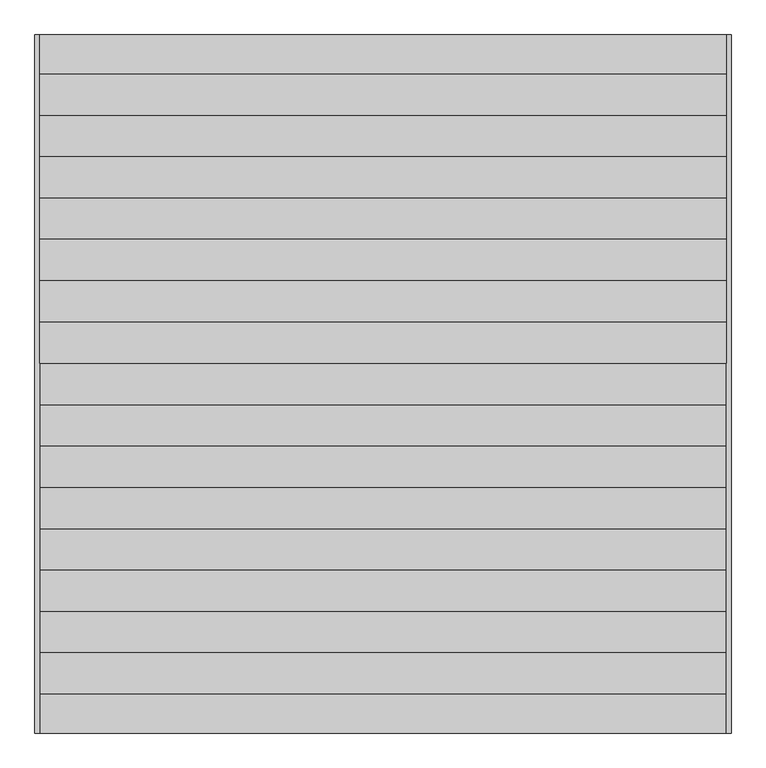
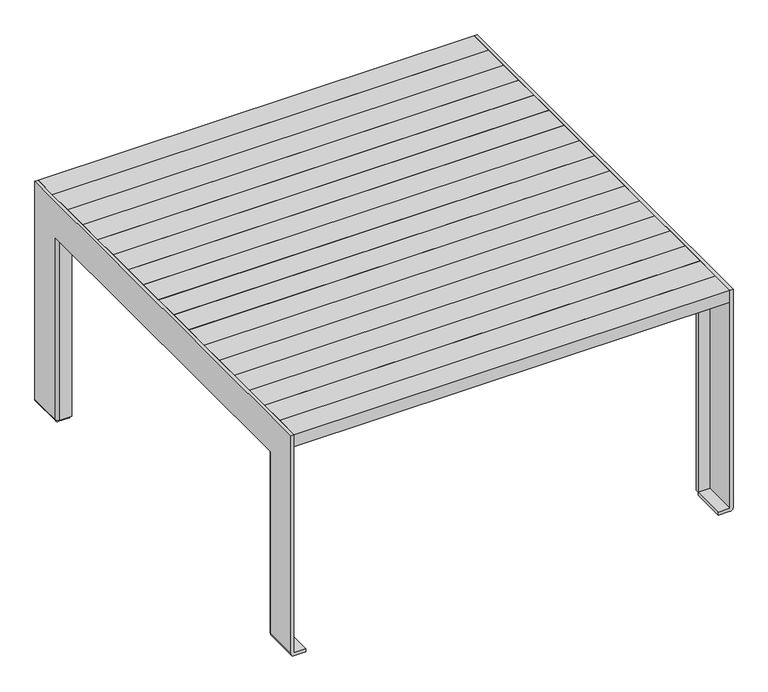
"""IFC4 building model written with IfcOpenShell, lengths in millimetres: furniture geometry."""

from ifc_helpers import new_model, si_unit, point, frame, frame_2d, origin, place, context, project, spatial, polyline, circle_curve, trimmed, segment, composite_curve, outline, extrude, source, transform, mapped, element, save
from ifc_brep_helpers import plane_surface, cylinder_surface, advanced_brep


def furniture_eb52b952(model_context):
    return source(origin(), model_context, "Body", "SolidModel", [
        extrude(outline(polyline([(690.0, 124.5), (690.0, 41.5), (-690.0, 41.5), (-690.0, 124.5), (690.0, 124.5)])), frame((0.0, 0.0, 700.0), z_axis=(0.0, 0.0, 1.0), x_axis=(1.0, 0.0, 0.0)), (0.0, 0.0, 1.0), 40.0),
        extrude(outline(polyline([(690.0, 207.5), (690.0, 124.5), (-690.0, 124.5), (-690.0, 207.5), (690.0, 207.5)])), frame((0.0, 0.0, 700.0), z_axis=(0.0, 0.0, 1.0), x_axis=(1.0, 0.0, 0.0)), (0.0, 0.0, 1.0), 40.0),
        extrude(outline(polyline([(690.0, 290.5), (690.0, 207.5), (-690.0, 207.5), (-690.0, 290.5), (690.0, 290.5)])), frame((0.0, 0.0, 700.0), z_axis=(0.0, 0.0, 1.0), x_axis=(1.0, 0.0, 0.0)), (0.0, 0.0, 1.0), 40.0),
        extrude(outline(polyline([(690.0, 373.5), (690.0, 290.5), (-690.0, 290.5), (-690.0, 373.5), (690.0, 373.5)])), frame((0.0, 0.0, 700.0), z_axis=(0.0, 0.0, 1.0), x_axis=(1.0, 0.0, 0.0)), (0.0, 0.0, 1.0), 40.0),
        extrude(outline(polyline([(690.0, 456.5), (690.0, 373.5), (-690.0, 373.5), (-690.0, 456.5), (690.0, 456.5)])), frame((0.0, 0.0, 700.0), z_axis=(0.0, 0.0, 1.0), x_axis=(1.0, 0.0, 0.0)), (0.0, 0.0, 1.0), 40.0),
        extrude(outline(polyline([(690.0, 539.5), (690.0, 456.5), (-690.0, 456.5), (-690.0, 539.5), (690.0, 539.5)])), frame((0.0, 0.0, 700.0), z_axis=(0.0, 0.0, 1.0), x_axis=(1.0, 0.0, 0.0)), (0.0, 0.0, 1.0), 40.0),
        extrude(outline(polyline([(690.0, 622.5), (690.0, 539.5), (-690.0, 539.5), (-690.0, 622.5), (690.0, 622.5)])), frame((0.0, 0.0, 700.0), z_axis=(0.0, 0.0, 1.0), x_axis=(1.0, 0.0, 0.0)), (0.0, 0.0, 1.0), 40.0),
        extrude(outline(polyline([(690.0, 701.5), (690.0, 622.5), (-690.0, 622.5), (-690.0, 701.5), (690.0, 701.5)])), frame((0.0, 0.0, 700.0), z_axis=(0.0, 0.0, 1.0), x_axis=(1.0, 0.0, 0.0)), (0.0, 0.0, 1.0), 40.0),
        advanced_brep(
        [(653.0, -701.5, 0.0), (689.9, -701.5, 0.0), (700.0, -701.5, 10.1), (700.0, -701.5, 740.0), (690.0, -701.5, 740.0), (690.0, -701.5, 10.1), (653.0, -701.5, 10.1), (653.0, -591.5, 0.0), (653.0, -591.5, 10.1), (690.0, -591.5, 10.1), (700.0, -591.5, 10.1), (689.9, -591.5, 0.0), (690.0, -591.5, 10.1), (690.0, 701.5, 740.0), (690.0, 701.5, 10.1), (690.0, 591.5, 10.1), (690.0, 591.5, 620.0), (690.0, 581.5, 620.0), (690.0, -581.5, 620.0), (690.0, -591.5, 620.0), (700.0, 701.5, 10.1), (700.0, 701.5, 740.0), (700.0, -591.5, 620.0), (700.0, 591.5, 620.0), (700.0, 591.5, 10.1), (689.9, 701.5, 0.0), (653.0, 701.5, 0.0), (653.0, 701.5, 10.1), (653.0, 591.5, 0.0), (689.9, 591.5, 0.0), (690.0, 591.5, 10.1), (653.0, 591.5, 10.1), (653.0, -581.5, 620.0), (653.0, -591.5, 620.0), (653.0, -581.5, 10.1), (690.0, -581.5, 10.1), (653.0, 581.5, 620.0), (653.0, 591.5, 620.0), (653.0, 581.5, 10.1), (690.0, 581.5, 10.1)],
        [
            (0, 1),
            (1, 2, circle_curve(frame((689.9, -701.5, 10.1), z_axis=(0.0, -1.0, 0.0), x_axis=(1.0, 0.0, 0.0)), 10.1)),
            (2, 3),
            (3, 4),
            (4, 5),
            (5, 6),
            (6, 0),
            (7, 8),
            (8, 9),
            (9, 10),
            (10, 11, circle_curve(frame((689.9, -591.5, 10.1), z_axis=(0.0, 1.0, 0.0), x_axis=(1.0, 0.0, 0.0)), 10.1)),
            (11, 7),
            (6, 8),
            (7, 0),
            (5, 12),
            (12, 8),
            (11, 1),
            (10, 2),
            (4, 13),
            (13, 14),
            (14, 15),
            (15, 16),
            (16, 17),
            (17, 18),
            (18, 19),
            (19, 12),
            (20, 21),
            (21, 3),
            (10, 22),
            (22, 23),
            (23, 24),
            (24, 20),
            (13, 21),
            (20, 25, circle_curve(frame((689.9, 701.5, 10.1), z_axis=(0.0, 1.0, 0.0), x_axis=(1.0, 0.0, 0.0)), 10.1)),
            (25, 26),
            (26, 27),
            (27, 14),
            (22, 18, circle_curve(frame((690.0, -591.5, 620.0), z_axis=(0.0, 0.0, 1.0), x_axis=(-1.0, 0.0, 0.0)), 10.0)),
            (17, 23, circle_curve(frame((690.0, 591.5, 620.0), z_axis=(0.0, 0.0, 1.0), x_axis=(-1.0, 0.0, 0.0)), 10.0)),
            (28, 29),
            (29, 24, circle_curve(frame((689.9, 591.5, 10.1), z_axis=(0.0, -1.0, 0.0), x_axis=(1.0, 0.0, 0.0)), 10.1)),
            (24, 30),
            (30, 31),
            (31, 28),
            (32, 33),
            (33, 19),
            (18, 32),
            (34, 35),
            (35, 10, circle_curve(frame((690.0, -591.5, 10.1), z_axis=(0.0, 0.0, -1.0), x_axis=(-1.0, 0.0, 0.0)), 10.0)),
            (8, 34),
            (32, 34),
            (8, 33),
            (18, 35),
            (26, 28),
            (31, 27),
            (31, 15),
            (25, 29),
            (36, 17),
            (16, 37),
            (37, 36),
            (38, 31),
            (24, 39, circle_curve(frame((690.0, 591.5, 10.1), z_axis=(0.0, 0.0, -1.0), x_axis=(-1.0, 0.0, 0.0)), 10.0)),
            (39, 38),
            (37, 31),
            (38, 36),
            (39, 17),
        ],
        [
            plane_surface(frame((689.9, -701.5, 0.0), z_axis=(0.0, -1.0, 0.0), x_axis=(1.0, 0.0, 0.0))),
            plane_surface(frame((689.9, -591.5, 0.0), z_axis=(0.0, 1.0, 0.0), x_axis=(-1.0, 0.0, 0.0))),
            plane_surface(frame((653.0, -701.5, 10.1), z_axis=(-1.0, 0.0, 0.0), x_axis=(0.0, 1.0, 0.0))),
            plane_surface(frame((690.0, -701.5, 10.1), z_axis=(0.0, 0.0, 1.0), x_axis=(0.0, 1.0, 0.0))),
            plane_surface(frame((653.0, -701.5, 0.0), z_axis=(0.0, 0.0, -1.0), x_axis=(0.0, 1.0, 0.0))),
            cylinder_surface(frame((689.9, -591.5, 10.1), z_axis=(0.0, -1.0, 0.0), x_axis=(1.0, 0.0, 0.0)), 10.1),
            plane_surface(frame((690.0, 37.5, 10.1), z_axis=(-1.0, 0.0, 0.0), x_axis=(0.0, -1.0, 0.0))),
            plane_surface(frame((700.0, 37.5, 10.1), z_axis=(1.0, 0.0, 0.0), x_axis=(0.0, 1.0, 0.0))),
            plane_surface(frame((690.0, 701.5, 740.0), z_axis=(0.0, 1.0, 0.0), x_axis=(1.0, 0.0, 0.0))),
            plane_surface(frame((690.0, -701.5, 740.0), z_axis=(0.0, 0.0, 1.0), x_axis=(1.0, 0.0, 0.0))),
            plane_surface(frame((690.0, 591.5, 620.0), z_axis=(0.0, 0.0, -1.0), x_axis=(1.0, 0.0, 0.0))),
            plane_surface(frame((690.0, 591.5, 10.1), z_axis=(0.0, -1.0, 0.0), x_axis=(1.0, 0.0, 0.0))),
            plane_surface(frame((653.0, -591.5, 620.0), z_axis=(0.0, 0.0, 1.0), x_axis=(0.0, -1.0, 0.0))),
            plane_surface(frame((653.0, -591.5, 10.1), z_axis=(0.0, 0.0, -1.0), x_axis=(0.0, 1.0, 0.0))),
            plane_surface(frame((653.0, -581.5, 620.0), z_axis=(-1.0, 0.0, 0.0), x_axis=(0.0, 0.0, -1.0))),
            plane_surface(frame((653.0, -591.5, 620.0), z_axis=(0.0, -1.0, 0.0), x_axis=(0.0, 0.0, -1.0))),
            plane_surface(frame((690.0, -581.5, 620.0), z_axis=(0.0, 1.0, 0.0), x_axis=(0.0, 0.0, -1.0))),
            cylinder_surface(frame((690.0, -591.5, 10.1), z_axis=(0.0, 0.0, 1.0), x_axis=(-1.0, 0.0, 0.0)), 10.0),
            plane_surface(frame((653.0, 701.5, 0.0), z_axis=(-1.0, 0.0, 0.0), x_axis=(0.0, -1.0, 0.0))),
            plane_surface(frame((653.0, 701.5, 10.1), z_axis=(0.0, 0.0, 1.0), x_axis=(0.0, -1.0, 0.0))),
            plane_surface(frame((689.9, 701.5, 0.0), z_axis=(0.0, 0.0, -1.0), x_axis=(0.0, -1.0, 0.0))),
            cylinder_surface(frame((689.9, 591.5, 10.1), z_axis=(0.0, 1.0, 0.0), x_axis=(1.0, 0.0, 0.0)), 10.1),
            plane_surface(frame((690.0, 581.5, 620.0), z_axis=(0.0, 0.0, 1.0), x_axis=(1.0, 0.0, 0.0))),
            plane_surface(frame((690.0, 581.5, 10.1), z_axis=(0.0, 0.0, -1.0), x_axis=(-1.0, 0.0, 0.0))),
            plane_surface(frame((653.0, 591.5, 620.0), z_axis=(-1.0, 0.0, 0.0), x_axis=(0.0, 0.0, -1.0))),
            plane_surface(frame((690.0, 591.5, 620.0), z_axis=(0.0, 1.0, 0.0), x_axis=(0.0, 0.0, -1.0))),
            plane_surface(frame((653.0, 581.5, 620.0), z_axis=(0.0, -1.0, 0.0), x_axis=(0.0, 0.0, -1.0))),
            cylinder_surface(frame((690.0, 591.5, 10.1), z_axis=(0.0, 0.0, 1.0), x_axis=(-1.0, 0.0, 0.0)), 10.0),
        ],
        [
            (0, [[1, 2, 3, 4, 5, 6, 7]]),
            (1, [[8, 9, 10, 11, 12]]),
            (2, [[-7, 13, -8, 14]]),
            (3, [[-6, 15, 16, -13]]),
            (4, [[-1, -14, -12, 17]]),
            (5, [[-2, -17, -11, 18]]),
            (6, [[-5, 19, 20, 21, 22, 23, 24, 25, 26, -15]]),
            (7, [[27, 28, -3, -18, 29, 30, 31, 32]]),
            (8, [[-20, 33, -27, 34, 35, 36, 37]]),
            (9, [[-19, -4, -28, -33]]),
            (10, [[-30, 38, -24, 39]]),
            (11, [[40, 41, 42, 43, 44]]),
            (12, [[45, 46, -25, 47]]),
            (13, [[48, 49, -10, -9, 50]]),
            (14, [[-45, 51, -50, 52]]),
            (15, [[-46, -52, -16, -26]]),
            (16, [[-47, 53, -48, -51]]),
            (17, [[-49, -53, -38, -29]]),
            (18, [[-36, 54, -44, 55]]),
            (19, [[-37, -55, 56, -21]]),
            (20, [[-35, 57, -40, -54]]),
            (21, [[-34, -32, -41, -57]]),
            (22, [[58, -23, 59, 60]]),
            (23, [[61, -43, -42, 62, 63]]),
            (24, [[-60, 64, -61, 65]]),
            (25, [[-59, -22, -56, -64]]),
            (26, [[-58, -65, -63, 66]]),
            (27, [[-62, -31, -39, -66]]),
        ],
    ),
        advanced_brep(
        [(-653.0, -701.5, 0.0), (-653.0, -701.5, 10.1), (-690.0, -701.5, 10.1), (-690.0, -701.5, 740.0), (-700.0, -701.5, 740.0), (-700.0, -701.5, 10.1), (-689.9, -701.5, 0.0), (-653.0, -591.5, 0.0), (-689.9, -591.5, 0.0), (-700.0, -591.5, 10.1), (-690.0, -591.5, 10.1), (-653.0, -591.5, 10.1), (-690.0, -591.5, 10.1), (-690.0, 701.5, 10.1), (-690.0, 701.5, 740.0), (-690.0, -591.5, 620.0), (-690.0, -581.5, 620.0), (-690.0, 581.5, 620.0), (-690.0, 591.5, 620.0), (-690.0, 591.5, 10.1), (-700.0, 591.5, 620.0), (-700.0, -591.5, 620.0), (-700.0, 701.5, 740.0), (-700.0, 701.5, 10.1), (-700.0, 591.5, 10.1), (-653.0, 701.5, 10.1), (-653.0, 701.5, 0.0), (-689.9, 701.5, 0.0), (-653.0, 591.5, 0.0), (-653.0, 591.5, 10.1), (-690.0, 591.5, 10.1), (-689.9, 591.5, 0.0), (-653.0, -581.5, 620.0), (-653.0, -591.5, 620.0), (-653.0, -581.5, 10.1), (-690.0, -581.5, 10.1), (-653.0, 581.5, 620.0), (-653.0, 591.5, 620.0), (-653.0, 581.5, 10.1), (-690.0, 581.5, 10.1)],
        [
            (0, 1),
            (1, 2),
            (2, 3),
            (3, 4),
            (4, 5),
            (5, 6, circle_curve(frame((-689.9, -701.5, 10.1), z_axis=(0.0, -1.0, 0.0), x_axis=(-1.0, 0.0, 0.0)), 10.1)),
            (6, 0),
            (7, 8),
            (8, 9, circle_curve(frame((-689.9, -591.5, 10.1), z_axis=(0.0, 1.0, 0.0), x_axis=(-1.0, 0.0, 0.0)), 10.1)),
            (9, 10),
            (10, 11),
            (11, 7),
            (0, 7),
            (11, 1),
            (11, 12),
            (12, 2),
            (6, 8),
            (5, 9),
            (13, 14),
            (14, 3),
            (12, 15),
            (15, 16),
            (16, 17),
            (17, 18),
            (18, 19),
            (19, 13),
            (20, 21),
            (21, 9),
            (4, 22),
            (22, 23),
            (23, 24),
            (24, 20),
            (13, 25),
            (25, 26),
            (26, 27),
            (27, 23, circle_curve(frame((-689.9, 701.5, 10.1), z_axis=(0.0, 1.0, 0.0), x_axis=(-1.0, 0.0, 0.0)), 10.1)),
            (22, 14),
            (20, 17, circle_curve(frame((-690.0, 591.5, 620.0), z_axis=(0.0, 0.0, 1.0), x_axis=(1.0, 0.0, 0.0)), 10.0)),
            (16, 21, circle_curve(frame((-690.0, -591.5, 620.0), z_axis=(0.0, 0.0, 1.0), x_axis=(1.0, 0.0, 0.0)), 10.0)),
            (28, 29),
            (29, 30),
            (30, 24),
            (24, 31, circle_curve(frame((-689.9, 591.5, 10.1), z_axis=(0.0, -1.0, 0.0), x_axis=(-1.0, 0.0, 0.0)), 10.1)),
            (31, 28),
            (32, 16),
            (15, 33),
            (33, 32),
            (34, 11),
            (9, 35, circle_curve(frame((-690.0, -591.5, 10.1), z_axis=(0.0, 0.0, -1.0), x_axis=(1.0, 0.0, 0.0)), 10.0)),
            (35, 34),
            (33, 11),
            (34, 32),
            (35, 16),
            (25, 29),
            (28, 26),
            (19, 29),
            (31, 27),
            (36, 37),
            (37, 18),
            (17, 36),
            (38, 39),
            (39, 24, circle_curve(frame((-690.0, 591.5, 10.1), z_axis=(0.0, 0.0, -1.0), x_axis=(1.0, 0.0, 0.0)), 10.0)),
            (29, 38),
            (36, 38),
            (29, 37),
            (17, 39),
        ],
        [
            plane_surface(frame((-653.0, -701.5, 0.0), z_axis=(0.0, -1.0, 0.0), x_axis=(0.0, 0.0, 1.0))),
            plane_surface(frame((-653.0, -591.5, 0.0), z_axis=(0.0, 1.0, 0.0), x_axis=(0.0, 0.0, -1.0))),
            plane_surface(frame((-653.0, -701.5, 0.0), z_axis=(1.0, 0.0, 0.0), x_axis=(0.0, 1.0, 0.0))),
            plane_surface(frame((-653.0, -701.5, 10.1), z_axis=(0.0, 0.0, 1.0), x_axis=(0.0, 1.0, 0.0))),
            plane_surface(frame((-689.9, -701.5, 0.0), z_axis=(0.0, 0.0, -1.0), x_axis=(0.0, 1.0, 0.0))),
            cylinder_surface(frame((-689.9, -591.5, 10.1), z_axis=(0.0, -1.0, 0.0), x_axis=(-1.0, 0.0, 0.0)), 10.1),
            plane_surface(frame((-690.0, 701.5, 700.0), z_axis=(1.0, 0.0, 0.0), x_axis=(0.0, 0.0, 1.0))),
            plane_surface(frame((-700.0, 701.5, 700.0), z_axis=(-1.0, 0.0, 0.0), x_axis=(0.0, 0.0, -1.0))),
            plane_surface(frame((-690.0, 701.5, 10.1), z_axis=(0.0, 1.0, 0.0), x_axis=(-1.0, 0.0, 0.0))),
            plane_surface(frame((-690.0, 701.5, 740.0), z_axis=(0.0, 0.0, 1.0), x_axis=(-1.0, 0.0, 0.0))),
            plane_surface(frame((-690.0, -591.5, 620.0), z_axis=(0.0, 0.0, -1.0), x_axis=(-1.0, 0.0, 0.0))),
            plane_surface(frame((-690.0, 591.5, 620.0), z_axis=(0.0, -1.0, 0.0), x_axis=(-1.0, 0.0, 0.0))),
            plane_surface(frame((-690.0, -581.5, 620.0), z_axis=(0.0, 0.0, 1.0), x_axis=(-1.0, 0.0, 0.0))),
            plane_surface(frame((-690.0, -581.5, 10.1), z_axis=(0.0, 0.0, -1.0), x_axis=(1.0, 0.0, 0.0))),
            plane_surface(frame((-653.0, -591.5, 620.0), z_axis=(1.0, 0.0, 0.0), x_axis=(0.0, 0.0, -1.0))),
            plane_surface(frame((-690.0, -591.5, 620.0), z_axis=(0.0, -1.0, 0.0), x_axis=(0.0, 0.0, -1.0))),
            plane_surface(frame((-653.0, -581.5, 620.0), z_axis=(0.0, 1.0, 0.0), x_axis=(0.0, 0.0, -1.0))),
            cylinder_surface(frame((-690.0, -591.5, 10.1), z_axis=(0.0, 0.0, 1.0), x_axis=(1.0, 0.0, 0.0)), 10.0),
            plane_surface(frame((-653.0, 701.5, 10.1), z_axis=(1.0, 0.0, 0.0), x_axis=(0.0, -1.0, 0.0))),
            plane_surface(frame((-690.0, 701.5, 10.1), z_axis=(0.0, 0.0, 1.0), x_axis=(0.0, -1.0, 0.0))),
            plane_surface(frame((-653.0, 701.5, 0.0), z_axis=(0.0, 0.0, -1.0), x_axis=(0.0, -1.0, 0.0))),
            cylinder_surface(frame((-689.9, 591.5, 10.1), z_axis=(0.0, 1.0, 0.0), x_axis=(-1.0, 0.0, 0.0)), 10.1),
            plane_surface(frame((-653.0, 591.5, 620.0), z_axis=(0.0, 0.0, 1.0), x_axis=(0.0, 1.0, 0.0))),
            plane_surface(frame((-653.0, 591.5, 10.1), z_axis=(0.0, 0.0, -1.0), x_axis=(0.0, -1.0, 0.0))),
            plane_surface(frame((-653.0, 581.5, 620.0), z_axis=(1.0, 0.0, 0.0), x_axis=(0.0, 0.0, -1.0))),
            plane_surface(frame((-653.0, 591.5, 620.0), z_axis=(0.0, 1.0, 0.0), x_axis=(0.0, 0.0, -1.0))),
            plane_surface(frame((-690.0, 581.5, 620.0), z_axis=(0.0, -1.0, 0.0), x_axis=(0.0, 0.0, -1.0))),
            cylinder_surface(frame((-690.0, 591.5, 10.1), z_axis=(0.0, 0.0, 1.0), x_axis=(1.0, 0.0, 0.0)), 10.0),
        ],
        [
            (0, [[1, 2, 3, 4, 5, 6, 7]]),
            (1, [[8, 9, 10, 11, 12]]),
            (2, [[-1, 13, -12, 14]]),
            (3, [[-2, -14, 15, 16]]),
            (4, [[-7, 17, -8, -13]]),
            (5, [[-6, 18, -9, -17]]),
            (6, [[19, 20, -3, -16, 21, 22, 23, 24, 25, 26]]),
            (7, [[27, 28, -18, -5, 29, 30, 31, 32]]),
            (8, [[-19, 33, 34, 35, 36, -30, 37]]),
            (9, [[-20, -37, -29, -4]]),
            (10, [[-27, 38, -23, 39]]),
            (11, [[40, 41, 42, 43, 44]]),
            (12, [[45, -22, 46, 47]]),
            (13, [[48, -11, -10, 49, 50]]),
            (14, [[-47, 51, -48, 52]]),
            (15, [[-46, -21, -15, -51]]),
            (16, [[-45, -52, -50, 53]]),
            (17, [[-49, -28, -39, -53]]),
            (18, [[-34, 54, -40, 55]]),
            (19, [[-33, -26, 56, -54]]),
            (20, [[-35, -55, -44, 57]]),
            (21, [[-36, -57, -43, -31]]),
            (22, [[58, 59, -24, 60]]),
            (23, [[61, 62, -42, -41, 63]]),
            (24, [[-58, 64, -63, 65]]),
            (25, [[-59, -65, -56, -25]]),
            (26, [[-60, 66, -61, -64]]),
            (27, [[-62, -66, -38, -32]]),
        ],
    ),
        extrude(outline(polyline([(644.0, 690.0), (700.0, 690.0), (700.0, 572.5518059), (700.0, 230.8634495), (700.0, -228.7999196), (700.0, -570.8310871), (700.0, -690.0), (644.0, -690.0), (644.0, 690.0)])), frame((0.0, 561.4958372, 0.0), z_axis=(0.0, 1.0, 0.0), x_axis=(0.0, 0.0, 1.0)), (0.0, 0.0, 1.0), 5.0),
        extrude(outline(polyline([(644.0, 690.0), (700.0, 690.0), (700.0, 572.5518059), (700.0, 230.8634495), (700.0, -228.7999196), (700.0, -570.8310871), (700.0, -690.0), (644.0, -690.0), (644.0, 690.0)])), frame((0.0, 97.5041628, 0.0), z_axis=(0.0, 1.0, 0.0), x_axis=(0.0, 0.0, 1.0)), (0.0, 0.0, 1.0), 5.0),
        extrude(outline(polyline([(644.0, 690.0), (700.0, 690.0), (700.0, 572.5518059), (700.0, 230.8634495), (700.0, -228.7999196), (700.0, -570.8310871), (700.0, -690.0), (644.0, -690.0), (644.0, 690.0)])), frame((0.0, -102.5041628, 0.0), z_axis=(0.0, 1.0, 0.0), x_axis=(0.0, 0.0, 1.0)), (0.0, 0.0, 1.0), 5.0),
        extrude(outline(polyline([(644.0, 690.0), (700.0, 690.0), (700.0, 572.5518059), (700.0, 230.8634495), (700.0, -228.7999196), (700.0, -570.8310871), (700.0, -690.0), (644.0, -690.0), (644.0, 690.0)])), frame((0.0, -566.4958372, 0.0), z_axis=(0.0, 1.0, 0.0), x_axis=(0.0, 0.0, 1.0)), (0.0, 0.0, 1.0), 5.0),
        extrude(outline(composite_curve([segment(trimmed(circle_curve(frame_2d((574.9814838, 553.5185162)), 0.9814838), [point((574.9814838, 554.5))], [point((574.0, 553.5185162))], True, "CARTESIAN"), True, "CONTINUOUS"), segment(polyline([(574.0, 553.5185162), (574.0, 110.5404164)]), True, "CONTINUOUS"), segment(trimmed(circle_curve(frame_2d((575.0404164, 110.5404164)), 1.0404164), [point((574.0, 110.5404164))], [point((575.0404164, 109.5))], True, "CARTESIAN"), True, "CONTINUOUS"), segment(polyline([(575.0404164, 109.5), (690.0, 109.5), (690.0, 104.5), (574.9509241, 104.5)]), True, "CONTINUOUS"), segment(trimmed(circle_curve(frame_2d((574.9509241, 110.4509241)), 5.9509241), [point((574.9509241, 104.5))], [point((569.0, 110.4509241))], False, "CARTESIAN"), True, "CONTINUOUS"), segment(polyline([(569.0, 110.4509241), (569.0, 553.5470868)]), True, "CONTINUOUS"), segment(trimmed(circle_curve(frame_2d((574.9529132, 553.5470868)), 5.9529132), [point((569.0, 553.5470868))], [point((574.9529132, 559.5))], False, "CARTESIAN"), True, "CONTINUOUS"), segment(polyline([(574.9529132, 559.5), (690.0, 559.5), (690.0, 554.5), (574.9814838, 554.5)]), True, "CONTINUOUS")], self_intersect=False)), frame((0.0, 0.0, 644.0), z_axis=(0.0, 0.0, 1.0), x_axis=(1.0, 0.0, 0.0)), (0.0, 0.0, 1.0), 50.0),
        extrude(outline(composite_curve([segment(polyline([(574.9814838, -554.5), (690.0, -554.5), (690.0, -559.5), (574.9529132, -559.5)]), True, "CONTINUOUS"), segment(trimmed(circle_curve(frame_2d((574.9529132, -553.5470868)), 5.9529132), [point((574.9529132, -559.5))], [point((569.0, -553.5470868))], False, "CARTESIAN"), True, "CONTINUOUS"), segment(polyline([(569.0, -553.5470868), (569.0, -110.4509241)]), True, "CONTINUOUS"), segment(trimmed(circle_curve(frame_2d((574.9509241, -110.4509241)), 5.9509241), [point((569.0, -110.4509241))], [point((574.9509241, -104.5))], False, "CARTESIAN"), True, "CONTINUOUS"), segment(polyline([(574.9509241, -104.5), (690.0, -104.5), (690.0, -109.5), (575.0404164, -109.5)]), True, "CONTINUOUS"), segment(trimmed(circle_curve(frame_2d((575.0404164, -110.5404164)), 1.0404164), [point((575.0404164, -109.5))], [point((574.0, -110.5404164))], True, "CARTESIAN"), True, "CONTINUOUS"), segment(polyline([(574.0, -110.5404164), (574.0, -553.5185162)]), True, "CONTINUOUS"), segment(trimmed(circle_curve(frame_2d((574.9814838, -553.5185162)), 0.9814838), [point((574.0, -553.5185162))], [point((574.9814838, -554.5))], True, "CARTESIAN"), True, "CONTINUOUS")], self_intersect=False)), frame((0.0, 0.0, 644.0), z_axis=(0.0, 0.0, 1.0), x_axis=(1.0, 0.0, 0.0)), (0.0, 0.0, 1.0), 50.0),
        extrude(outline(composite_curve([segment(polyline([(-574.9814838, 554.5), (-690.0, 554.5), (-690.0, 559.5), (-574.9529132, 559.5)]), True, "CONTINUOUS"), segment(trimmed(circle_curve(frame_2d((-574.9529132, 553.5470868)), 5.9529132), [point((-574.9529132, 559.5))], [point((-569.0, 553.5470868))], False, "CARTESIAN"), True, "CONTINUOUS"), segment(polyline([(-569.0, 553.5470868), (-569.0, 110.4509241)]), True, "CONTINUOUS"), segment(trimmed(circle_curve(frame_2d((-574.9509241, 110.4509241)), 5.9509241), [point((-569.0, 110.4509241))], [point((-574.9509241, 104.5))], False, "CARTESIAN"), True, "CONTINUOUS"), segment(polyline([(-574.9509241, 104.5), (-690.0, 104.5), (-690.0, 109.5), (-575.0404164, 109.5)]), True, "CONTINUOUS"), segment(trimmed(circle_curve(frame_2d((-575.0404164, 110.5404164)), 1.0404164), [point((-575.0404164, 109.5))], [point((-574.0, 110.5404164))], True, "CARTESIAN"), True, "CONTINUOUS"), segment(polyline([(-574.0, 110.5404164), (-574.0, 553.5185162)]), True, "CONTINUOUS"), segment(trimmed(circle_curve(frame_2d((-574.9814838, 553.5185162)), 0.9814838), [point((-574.0, 553.5185162))], [point((-574.9814838, 554.5))], True, "CARTESIAN"), True, "CONTINUOUS")], self_intersect=False)), frame((0.0, 0.0, 644.0), z_axis=(0.0, 0.0, 1.0), x_axis=(1.0, 0.0, 0.0)), (0.0, 0.0, 1.0), 50.0),
        extrude(outline(composite_curve([segment(trimmed(circle_curve(frame_2d((-574.9814838, -553.5185162)), 0.9814838), [point((-574.9814838, -554.5))], [point((-574.0, -553.5185162))], True, "CARTESIAN"), True, "CONTINUOUS"), segment(polyline([(-574.0, -553.5185162), (-574.0, -110.5404164)]), True, "CONTINUOUS"), segment(trimmed(circle_curve(frame_2d((-575.0404164, -110.5404164)), 1.0404164), [point((-574.0, -110.5404164))], [point((-575.0404164, -109.5))], True, "CARTESIAN"), True, "CONTINUOUS"), segment(polyline([(-575.0404164, -109.5), (-690.0, -109.5), (-690.0, -104.5), (-574.9509241, -104.5)]), True, "CONTINUOUS"), segment(trimmed(circle_curve(frame_2d((-574.9509241, -110.4509241)), 5.9509241), [point((-574.9509241, -104.5))], [point((-569.0, -110.4509241))], False, "CARTESIAN"), True, "CONTINUOUS"), segment(polyline([(-569.0, -110.4509241), (-569.0, -553.5470868)]), True, "CONTINUOUS"), segment(trimmed(circle_curve(frame_2d((-574.9529132, -553.5470868)), 5.9529132), [point((-569.0, -553.5470868))], [point((-574.9529132, -559.5))], False, "CARTESIAN"), True, "CONTINUOUS"), segment(polyline([(-574.9529132, -559.5), (-690.0, -559.5), (-690.0, -554.5), (-574.9814838, -554.5)]), True, "CONTINUOUS")], self_intersect=False)), frame((0.0, 0.0, 644.0), z_axis=(0.0, 0.0, 1.0), x_axis=(1.0, 0.0, 0.0)), (0.0, 0.0, 1.0), 50.0),
        extrude(outline(polyline([(690.0, 41.5), (690.0, -41.5), (-690.0, -41.5), (-690.0, 41.5), (690.0, 41.5)])), frame((0.0, 0.0, 700.0), z_axis=(0.0, 0.0, 1.0), x_axis=(1.0, 0.0, 0.0)), (0.0, 0.0, 1.0), 40.0),
        extrude(outline(polyline([(690.0, -41.5), (690.0, -124.5), (-690.0, -124.5), (-690.0, -41.5), (690.0, -41.5)])), frame((0.0, 0.0, 700.0), z_axis=(0.0, 0.0, 1.0), x_axis=(1.0, 0.0, 0.0)), (0.0, 0.0, 1.0), 40.0),
        extrude(outline(polyline([(690.0, -124.5), (690.0, -207.5), (-690.0, -207.5), (-690.0, -124.5), (690.0, -124.5)])), frame((0.0, 0.0, 700.0), z_axis=(0.0, 0.0, 1.0), x_axis=(1.0, 0.0, 0.0)), (0.0, 0.0, 1.0), 40.0),
        extrude(outline(polyline([(690.0, -207.5), (690.0, -290.5), (-690.0, -290.5), (-690.0, -207.5), (690.0, -207.5)])), frame((0.0, 0.0, 700.0), z_axis=(0.0, 0.0, 1.0), x_axis=(1.0, 0.0, 0.0)), (0.0, 0.0, 1.0), 40.0),
        extrude(outline(polyline([(690.0, -290.5), (690.0, -373.5), (-690.0, -373.5), (-690.0, -290.5), (690.0, -290.5)])), frame((0.0, 0.0, 700.0), z_axis=(0.0, 0.0, 1.0), x_axis=(1.0, 0.0, 0.0)), (0.0, 0.0, 1.0), 40.0),
        extrude(outline(polyline([(690.0, -373.5), (690.0, -456.5), (-690.0, -456.5), (-690.0, -373.5), (690.0, -373.5)])), frame((0.0, 0.0, 700.0), z_axis=(0.0, 0.0, 1.0), x_axis=(1.0, 0.0, 0.0)), (0.0, 0.0, 1.0), 40.0),
        extrude(outline(polyline([(690.0, -456.5), (690.0, -539.5), (-690.0, -539.5), (-690.0, -456.5), (690.0, -456.5)])), frame((0.0, 0.0, 700.0), z_axis=(0.0, 0.0, 1.0), x_axis=(1.0, 0.0, 0.0)), (0.0, 0.0, 1.0), 40.0),
        extrude(outline(polyline([(690.0, -539.5), (690.0, -622.5), (-690.0, -622.5), (-690.0, -539.5), (690.0, -539.5)])), frame((0.0, 0.0, 700.0), z_axis=(0.0, 0.0, 1.0), x_axis=(1.0, 0.0, 0.0)), (0.0, 0.0, 1.0), 40.0),
        extrude(outline(polyline([(690.0, -622.5), (690.0, -701.5), (-690.0, -701.5), (-690.0, -622.5), (690.0, -622.5)])), frame((0.0, 0.0, 700.0), z_axis=(0.0, 0.0, 1.0), x_axis=(1.0, 0.0, 0.0)), (0.0, 0.0, 1.0), 40.0),
    ])


if __name__ == "__main__":
    model = new_model("IFC4")
    model_context = context("Model", 3, world=origin())
    ifc_project = project(units=[si_unit("LENGTHUNIT", "METRE", prefix="MILLI")], contexts=[model_context])
    site = spatial("IfcSite", under=ifc_project)
    building = spatial("IfcBuilding", under=site)
    placement = place(None, origin())
    furniture_shape = furniture_eb52b952(model_context)
    element("IfcFurniture", 1, at=placement, inside=building, context=model_context, shape_type="MappedRepresentation", body=[
        mapped(furniture_shape, transform((0.0, 0.0, 0.0), x_axis=(1.0, 0.0, 0.0), y_axis=(0.0, 1.0, 0.0), z_axis=(0.0, 0.0, 1.0))),
    ])
    save(model, "model.ifc")
